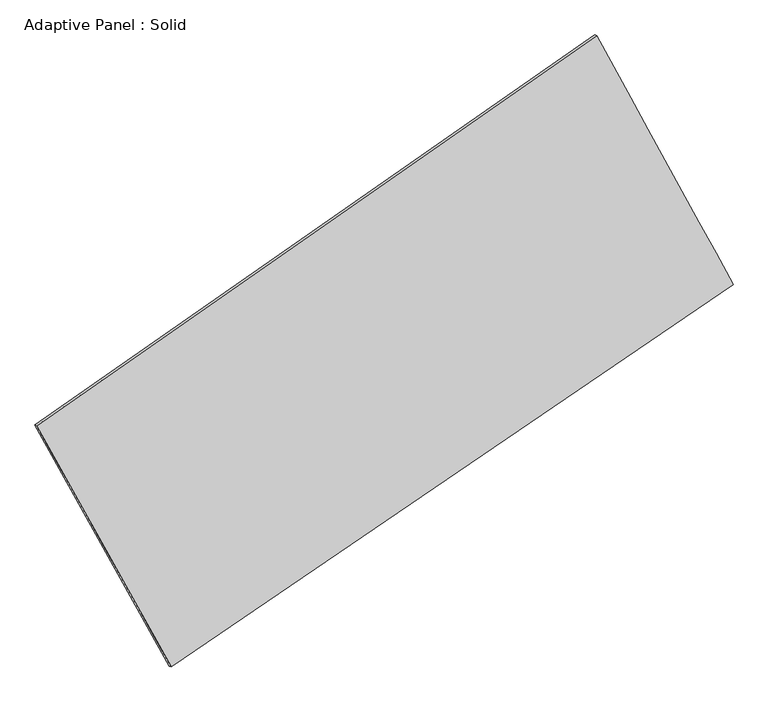
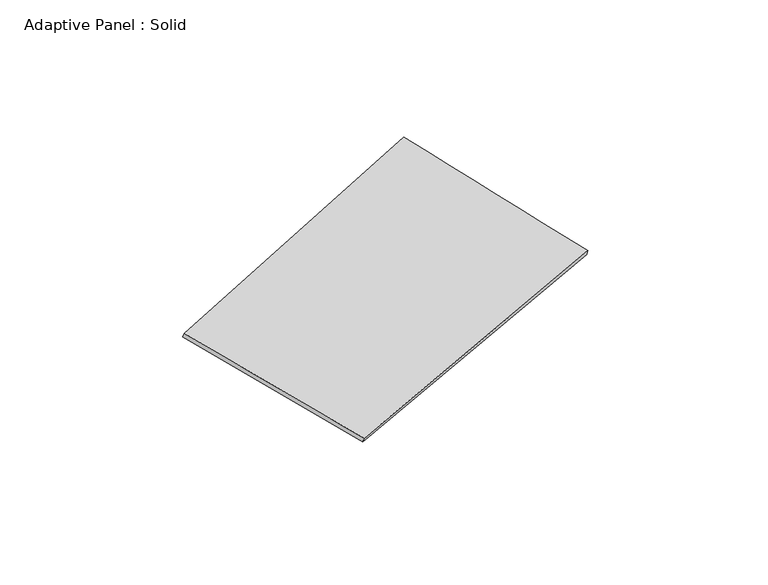
"""IFC4 building model written with IfcOpenShell, lengths in millimetres: plate geometry, Adaptive Panel : Solid."""

from ifc_helpers import new_model, si_unit, frame, origin, place, context, project, spatial, source, transform, mapped, element, save
from ifc_brep_helpers import plane_surface, spline_surface, advanced_brep


def adaptive_panel_solid_ddc9d0ca(model_context):
    return source(origin(), model_context, "Body", "AdvancedBrep", [
        advanced_brep(
        [(1156.7315323, 2607.2950831, 694.1758492), (-3613.258652, -719.8855435, 1686.4374924), (-3598.5922961, -726.265637, 1733.8104004), (1171.3978881, 2600.9149896, 741.5487572), (-2467.0224371, -2774.2939822, 1091.9333872), (-2452.3560813, -2780.6740757, 1139.3062952), (2320.2589786, 486.6358698, 12.5757915), (2334.9253344, 480.2557764, 59.9486995)],
        [
            (0, 1),
            (1, 2),
            (2, 3),
            (3, 0),
            (1, 4),
            (4, 5),
            (5, 2),
            (4, 6),
            (6, 7),
            (7, 5),
            (6, 0),
            (3, 7),
        ],
        [
            plane_surface(frame((-1228.2635598, 943.7047698, 1190.3066708), z_axis=(-0.5128660102709308, 0.8153689651315295, 0.26859245374566365), x_axis=(-0.8085017082956245, -0.5639490054514538, 0.1681859296533845))),
            plane_surface(frame((-3040.1405445, -1747.0897629, 1389.1854398), z_axis=(-0.8335216079869643, -0.5194842757309237, 0.18808991543180403), x_axis=(0.47238315922372165, -0.8466561569126564, -0.2450051077910571))),
            plane_surface(frame((-73.3817292, -1143.8290562, 552.2545893), z_axis=(0.5009965113642856, -0.823550872026641, -0.2660196548846997), x_axis=(0.8124927443904068, 0.5534418419748256, -0.18318752103911878))),
            plane_surface(frame((1738.4952555, 1546.9654765, 353.3758204), z_axis=(0.83419553888945, 0.5182659911149086, -0.18846263648432254), x_axis=(-0.4629886525010637, 0.8438487245648985, 0.27122101265470483))),
            spline_surface(1, 1, [[(-3598.5922961, -726.265637, 1733.8104004), (1171.3978881, 2600.9149896, 741.5487572)], [(-2452.3560813, -2780.6740757, 1139.3062952), (2334.9253344, 480.2557764, 59.9486995)]], [2, 2], [2, 2], [0.0, 1.0], [0.0, 1.0]),
            spline_surface(1, 1, [[(2320.2589786, 486.6358698, 12.5757915), (1156.7315323, 2607.2950831, 694.1758492)], [(-2467.0224371, -2774.2939822, 1091.9333872), (-3613.258652, -719.8855435, 1686.4374924)]], [2, 2], [2, 2], [0.0, 1.0], [0.0, 1.0]),
        ],
        [
            (0, [[1, 2, 3, 4]]),
            (1, [[5, 6, 7, -2]]),
            (2, [[8, 9, 10, -6]]),
            (3, [[11, -4, 12, -9]]),
            (4, [[-3, -7, -10, -12]]),
            (5, [[-11, -8, -5, -1]]),
        ],
    ),
    ])


if __name__ == "__main__":
    model = new_model("IFC4")
    model_context = context("Model", 3, world=origin())
    ifc_project = project(units=[si_unit("LENGTHUNIT", "METRE", prefix="MILLI")], contexts=[model_context])
    site = spatial("IfcSite", under=ifc_project)
    building = spatial("IfcBuilding", under=site)
    placement = place(None, origin())
    adaptive_panel_solid_shape = adaptive_panel_solid_ddc9d0ca(model_context)
    element("IfcPlate", 1, ObjectType="Adaptive Panel : Solid", at=placement, inside=building, context=model_context, shape_type="MappedRepresentation", body=[
        mapped(adaptive_panel_solid_shape, transform((0.0, 0.0, 0.0), x_axis=(1.0, 0.0, 0.0), y_axis=(0.0, 1.0, 0.0), z_axis=(0.0, 0.0, 1.0))),
    ])
    save(model, "model.ifc")
